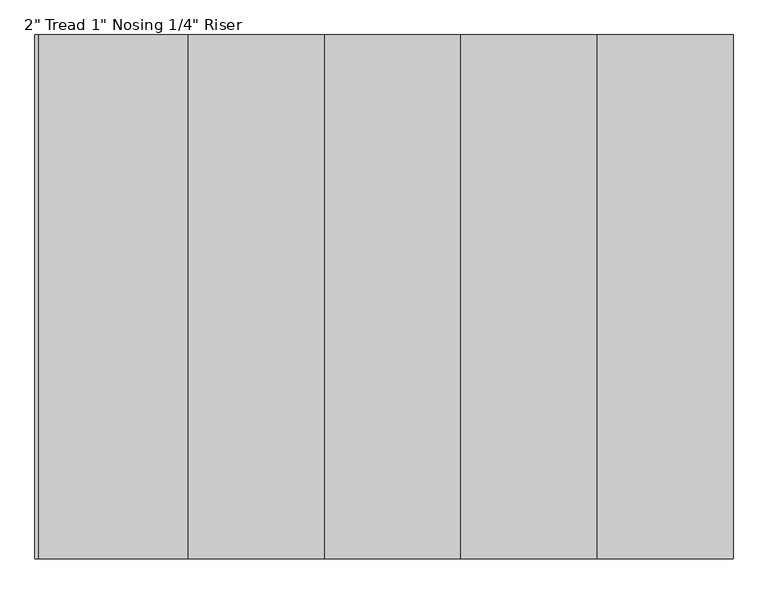
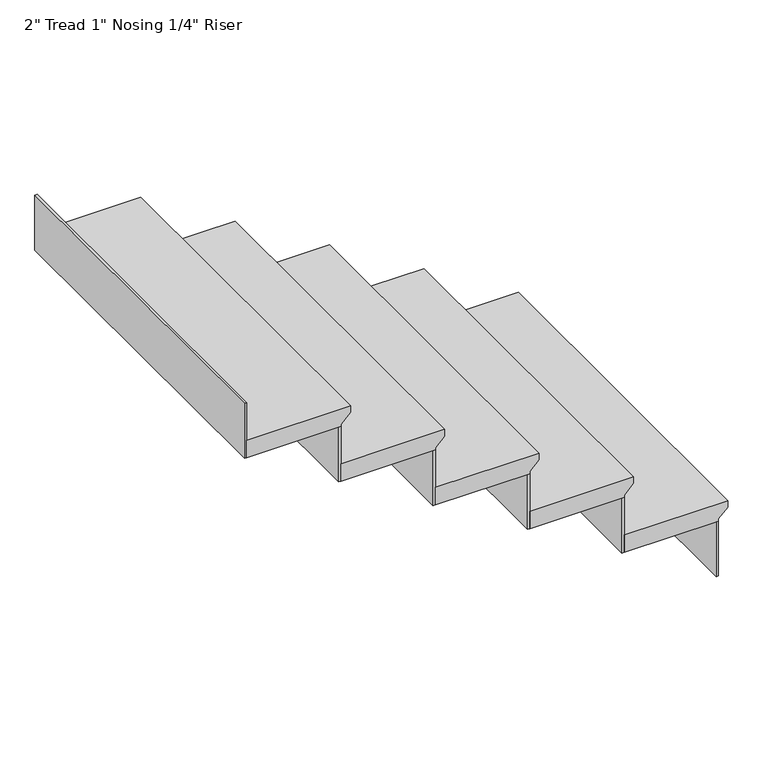
"""IFC4 building model written with IfcOpenShell, lengths in millimetres: stair flight geometry."""

from ifc_helpers import new_model, si_unit, frame, origin, place, context, project, spatial, polyline, outline, extrude, source, transform, mapped, element, save


def stair_flight_90b061e7(model_context):
    return source(origin(), model_context, "Body", "SweptSolid", [
        extrude(outline(polyline([(89240.0, 2670.2555789), (89240.0, 2384.8555789), (89189.2, 2384.8555789), (89189.2, 2644.8555789), (89195.55, 2644.8555789), (89220.95, 2670.2555789), (89240.0, 2670.2555789)])), frame((0.0, -2961.8133666, 0.0), z_axis=(0.0, 1.0, 0.0), x_axis=(0.0, 0.0, 1.0)), (0.0, 0.0, 1.0), 1000.0),
        extrude(outline(polyline([(2638.5055789, -1961.8133666), (2644.8555789, -1961.8133666), (2644.8555789, -2961.8133666), (2638.5055789, -2961.8133666), (2638.5055789, -1961.8133666)])), frame((0.0, 0.0, 89029.2), z_axis=(0.0, 0.0, 1.0), x_axis=(1.0, 0.0, 0.0)), (0.0, 0.0, 1.0), 160.0),
        extrude(outline(polyline([(89400.0, 2410.2555789), (89400.0, 2124.8555789), (89349.2, 2124.8555789), (89349.2, 2384.8555789), (89355.55, 2384.8555789), (89380.95, 2410.2555789), (89400.0, 2410.2555789)])), frame((0.0, -2961.8133666, 0.0), z_axis=(0.0, 1.0, 0.0), x_axis=(0.0, 0.0, 1.0)), (0.0, 0.0, 1.0), 1000.0),
        extrude(outline(polyline([(2378.5055789, -1961.8133666), (2384.8555789, -1961.8133666), (2384.8555789, -2961.8133666), (2378.5055789, -2961.8133666), (2378.5055789, -1961.8133666)])), frame((0.0, 0.0, 89189.2), z_axis=(0.0, 0.0, 1.0), x_axis=(1.0, 0.0, 0.0)), (0.0, 0.0, 1.0), 160.0),
        extrude(outline(polyline([(89560.0, 2150.2555789), (89560.0, 1864.8555789), (89509.2, 1864.8555789), (89509.2, 2124.8555789), (89515.55, 2124.8555789), (89540.95, 2150.2555789), (89560.0, 2150.2555789)])), frame((0.0, -2961.8133666, 0.0), z_axis=(0.0, 1.0, 0.0), x_axis=(0.0, 0.0, 1.0)), (0.0, 0.0, 1.0), 1000.0),
        extrude(outline(polyline([(2118.5055789, -1961.8133666), (2124.8555789, -1961.8133666), (2124.8555789, -2961.8133666), (2118.5055789, -2961.8133666), (2118.5055789, -1961.8133666)])), frame((0.0, 0.0, 89349.2), z_axis=(0.0, 0.0, 1.0), x_axis=(1.0, 0.0, 0.0)), (0.0, 0.0, 1.0), 160.0),
        extrude(outline(polyline([(89720.0, 1890.2555789), (89720.0, 1604.8555789), (89669.2, 1604.8555789), (89669.2, 1864.8555789), (89675.55, 1864.8555789), (89700.95, 1890.2555789), (89720.0, 1890.2555789)])), frame((0.0, -2961.8133666, 0.0), z_axis=(0.0, 1.0, 0.0), x_axis=(0.0, 0.0, 1.0)), (0.0, 0.0, 1.0), 1000.0),
        extrude(outline(polyline([(1858.5055789, -1961.8133666), (1864.8555789, -1961.8133666), (1864.8555789, -2961.8133666), (1858.5055789, -2961.8133666), (1858.5055789, -1961.8133666)])), frame((0.0, 0.0, 89509.2), z_axis=(0.0, 0.0, 1.0), x_axis=(1.0, 0.0, 0.0)), (0.0, 0.0, 1.0), 160.0),
        extrude(outline(polyline([(89880.0, 1630.2555789), (89880.0, 1344.8555789), (89829.2, 1344.8555789), (89829.2, 1604.8555789), (89835.55, 1604.8555789), (89860.95, 1630.2555789), (89880.0, 1630.2555789)])), frame((0.0, -2961.8133666, 0.0), z_axis=(0.0, 1.0, 0.0), x_axis=(0.0, 0.0, 1.0)), (0.0, 0.0, 1.0), 1000.0),
        extrude(outline(polyline([(1598.5055789, -1961.8133666), (1604.8555789, -1961.8133666), (1604.8555789, -2961.8133666), (1598.5055789, -2961.8133666), (1598.5055789, -1961.8133666)])), frame((0.0, 0.0, 89669.2), z_axis=(0.0, 0.0, 1.0), x_axis=(1.0, 0.0, 0.0)), (0.0, 0.0, 1.0), 160.0),
        extrude(outline(polyline([(1338.5055789, -1961.8133666), (1344.8555789, -1961.8133666), (1344.8555789, -2961.8133666), (1338.5055789, -2961.8133666), (1338.5055789, -1961.8133666)])), frame((0.0, 0.0, 89829.2), z_axis=(0.0, 0.0, 1.0), x_axis=(1.0, 0.0, 0.0)), (0.0, 0.0, 1.0), 160.0),
    ])


if __name__ == "__main__":
    model = new_model("IFC4")
    model_context = context("Model", 3, world=origin())
    ifc_project = project(units=[si_unit("LENGTHUNIT", "METRE", prefix="MILLI")], contexts=[model_context])
    site = spatial("IfcSite", under=ifc_project)
    building = spatial("IfcBuilding", under=site)
    placement = place(None, origin())
    stair_flight_shape = stair_flight_90b061e7(model_context)
    element("IfcStairFlight", 1, ObjectType="2\" Tread 1\" Nosing 1/4\" Riser", at=placement, inside=building, context=model_context, shape_type="MappedRepresentation", body=[
        mapped(stair_flight_shape, transform((0.0, 0.0, 0.0), x_axis=(1.0, 0.0, 0.0), y_axis=(0.0, 1.0, 0.0), z_axis=(0.0, 0.0, 1.0))),
    ])
    save(model, "model.ifc")
